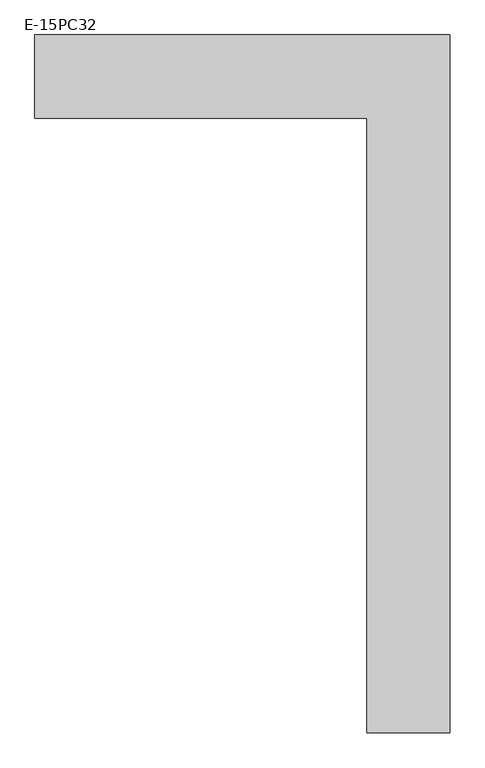
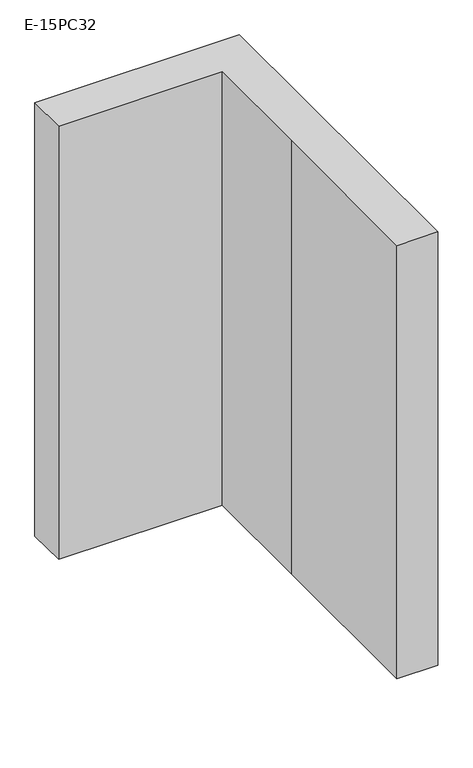
"""IFC4 building model written with IfcOpenShell, lengths in millimetres: column geometry, E-15PC32."""

from ifc_helpers import new_model, si_unit, frame, origin, place, context, project, spatial, polyline, outline, extrude, source, transform, mapped, element, save


def e_15pc32_0f16e044(model_context):
    return source(origin(), model_context, "Body", "SweptSolid", [
        extrude(outline(polyline([(610.0, -1120.0), (610.0, 0.0), (610.0, 730.0), (-390.0, 730.0), (-390.0, 980.0), (860.0, 980.0), (860.0, -1120.0), (610.0, -1120.0)])), frame((0.0, 0.0, 26000.0), z_axis=(0.0, 0.0, 1.0), x_axis=(1.0, 0.0, 0.0)), (0.0, 0.0, 1.0), 2800.0),
    ])


if __name__ == "__main__":
    model = new_model("IFC4")
    model_context = context("Model", 3, world=origin())
    ifc_project = project(units=[si_unit("LENGTHUNIT", "METRE", prefix="MILLI")], contexts=[model_context])
    site = spatial("IfcSite", under=ifc_project)
    building = spatial("IfcBuilding", under=site)
    placement = place(None, origin())
    e_15pc32_shape = e_15pc32_0f16e044(model_context)
    element("IfcColumn", 1, ObjectType="E-15PC32", at=placement, inside=building, context=model_context, shape_type="MappedRepresentation", body=[
        mapped(e_15pc32_shape, transform((0.0, 0.0, 0.0), x_axis=(1.0, 0.0, 0.0), y_axis=(0.0, 1.0, 0.0), z_axis=(0.0, 0.0, 1.0))),
    ])
    save(model, "model.ifc")
